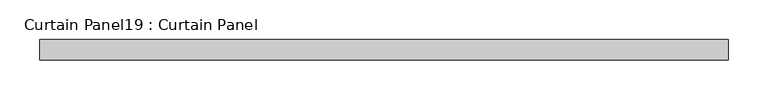
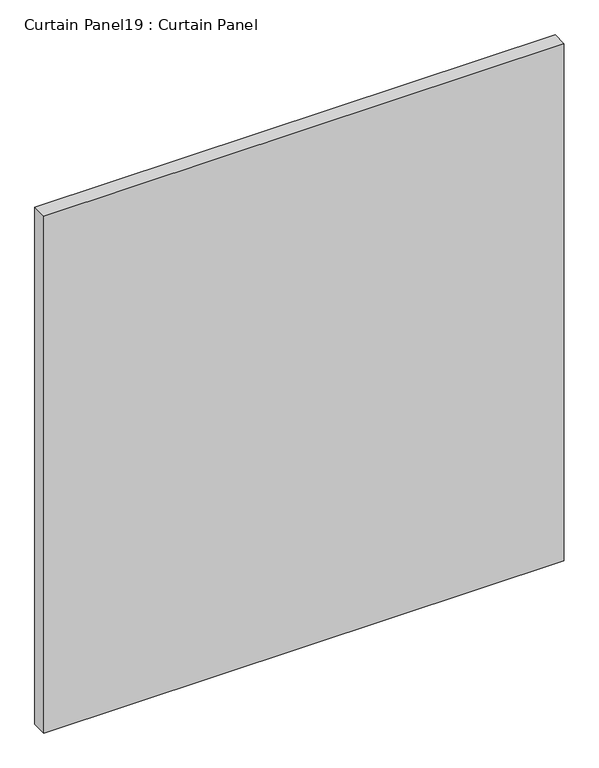
"""IFC4 building model written with IfcOpenShell, lengths in millimetres: plate geometry, Curtain Panel19 : Curtain Panel."""

import ifcopenshell
import ifcopenshell.guid

model = None  # the IFC model being written
_history = None  # IfcOwnerHistory: only IFC2X3 demands one
_inside = {}  # id of a spatial element -> (the spatial element, [elements in it])
_under = {}  # id of a project, library or spatial element -> (it, [spatial elements below it])
_declared = {}  # id of a project -> (the project, [libraries it declares])
_typed = {}  # id of a type object -> (the type object, [elements of that type])
_made_of = {}  # id of a material, layer set ... -> (it, [elements and type objects made of it])


def new_model(schema):
    """Start an empty IFC model of exactly this schema.

    Asked for "IFC4X3", IfcOpenShell would pick the latest addendum, in which some entities
    have other attributes; the version numbers below select the first issue.
    IFC2X3 requires an IfcOwnerHistory on every rooted entity: one is made here for all.
    """
    global model, _history
    if schema == "IFC4X3":
        model = ifcopenshell.file(schema_version=(4, 3, 0, 0))
    else:
        model = ifcopenshell.file(schema=schema)
    _inside.clear()
    _under.clear()
    _declared.clear()
    _typed.clear()
    _made_of.clear()
    _history = None
    if model.schema == "IFC2X3":
        org = make("IfcOrganization", Name="unknown")
        user = make(
            "IfcPersonAndOrganization",
            ThePerson=make("IfcPerson", FamilyName="unknown"),
            TheOrganization=org,
        )
        app = make(
            "IfcApplication",
            ApplicationDeveloper=org,
            Version="unknown",
            ApplicationFullName="unknown",
            ApplicationIdentifier="unknown",
        )
        _history = make(
            "IfcOwnerHistory",
            OwningUser=user,
            OwningApplication=app,
            ChangeAction="ADDED",
            CreationDate=0,
        )
    return model


def make(cls, **values):
    """One entity of the class cls with the attributes given. An attribute that is None is left unset."""
    return model.create_entity(
        cls, **{name: value for name, value in values.items() if value is not None}
    )


def rooted(cls, **values):
    """An entity with a GlobalId (a new one), such as an element, a storey or a relation."""
    return make(cls, GlobalId=ifcopenshell.guid.new(), OwnerHistory=_history, **values)


def si_unit(unit_type, name, prefix=None):
    """IfcSIUnit, for example si_unit("LENGTHUNIT", "METRE", prefix="MILLI")."""
    return make("IfcSIUnit", UnitType=unit_type, Prefix=prefix, Name=name)


def assignment(units):
    """IfcUnitAssignment: the units of a project."""
    return None if units is None else make("IfcUnitAssignment", Units=units)


def point(xyz):
    """IfcCartesianPoint."""
    return None if xyz is None else make("IfcCartesianPoint", Coordinates=xyz)


def direction(xyz):
    """IfcDirection."""
    return None if xyz is None else make("IfcDirection", DirectionRatios=xyz)


def frame(location, z_axis=None, x_axis=None):
    """IfcAxis2Placement3D, a coordinate frame: its origin and axes. An axis left out is left unset."""
    return make(
        "IfcAxis2Placement3D",
        Location=point(location),
        Axis=direction(z_axis),
        RefDirection=direction(x_axis),
    )


def origin():
    """The frame at (0, 0, 0) with its axes left unset."""
    return frame((0.0, 0.0, 0.0))


def place(relative_to, where):
    """IfcLocalPlacement: puts the frame where relative to a parent placement (None: the world)."""
    return make(
        "IfcLocalPlacement", PlacementRelTo=relative_to, RelativePlacement=where
    )


def context(
    kind, dimensions, precision=None, world=None, true_north=None, identifier=None
):
    """IfcGeometricRepresentationContext, for example the 3D "Model" context."""
    return make(
        "IfcGeometricRepresentationContext",
        ContextIdentifier=identifier,
        ContextType=kind,
        CoordinateSpaceDimension=dimensions,
        Precision=precision,
        WorldCoordinateSystem=world,
        TrueNorth=true_north,
    )


def project(units=None, contexts=None):
    """IfcProject with its units and contexts."""
    return rooted(
        "IfcProject",
        Name="project",
        RepresentationContexts=contexts,
        UnitsInContext=assignment(units),
    )


def spatial(cls, under=None, at=None, **own):
    """A site, building, storey or space (cls), placed at a placement, below another one or the project."""
    s = rooted(cls, ObjectPlacement=at, **own)
    if under is not None:
        _under.setdefault(under.id(), (under, []))[1].append(s)
    return s


def polyline(points):
    """IfcPolyline through the points."""
    return make("IfcPolyline", Points=[point(p) for p in points])


def outline(outer, holes=None, kind="AREA"):
    """IfcArbitraryClosedProfileDef: a profile drawn as a closed curve; with holes, ...WithVoids."""
    if holes is None:
        return make("IfcArbitraryClosedProfileDef", ProfileType=kind, OuterCurve=outer)
    return make(
        "IfcArbitraryProfileDefWithVoids",
        ProfileType=kind,
        OuterCurve=outer,
        InnerCurves=holes,
    )


def extrude(swept, where, along, depth):
    """IfcExtrudedAreaSolid: the profile swept, set in the frame where, extruded along a direction by depth."""
    return make(
        "IfcExtrudedAreaSolid",
        SweptArea=swept,
        Position=where,
        ExtrudedDirection=direction(along),
        Depth=depth,
    )


def shape(context_of_items, identifier, shape_type, items):
    """IfcShapeRepresentation: the items that make up one representation, for example the "Body"."""
    return make(
        "IfcShapeRepresentation",
        ContextOfItems=context_of_items,
        RepresentationIdentifier=identifier,
        RepresentationType=shape_type,
        Items=items,
    )


def source(mapping_origin, context_of_items, identifier, shape_type, items):
    """IfcRepresentationMap: a shape defined once, which mapped items show again and again."""
    return make(
        "IfcRepresentationMap",
        MappingOrigin=mapping_origin,
        MappedRepresentation=shape(context_of_items, identifier, shape_type, items),
    )


def transform(
    local_origin,
    x_axis=None,
    y_axis=None,
    z_axis=None,
    scale=None,
    scale2=None,
    scale3=None,
    uniform=True,
):
    """IfcCartesianTransformationOperator3D, or its non-uniform kind. x_axis, y_axis, z_axis: its Axis1, 2, 3."""
    if uniform:
        return make(
            "IfcCartesianTransformationOperator3D",
            Axis1=direction(x_axis),
            Axis2=direction(y_axis),
            LocalOrigin=point(local_origin),
            Scale=scale,
            Axis3=direction(z_axis),
        )
    return make(
        "IfcCartesianTransformationOperator3DnonUniform",
        Axis1=direction(x_axis),
        Axis2=direction(y_axis),
        LocalOrigin=point(local_origin),
        Scale=scale,
        Axis3=direction(z_axis),
        Scale2=scale2,
        Scale3=scale3,
    )


def mapped(mapping_source, mapping_target):
    """IfcMappedItem: shows the shape of a source again, moved by a transform."""
    return make(
        "IfcMappedItem", MappingSource=mapping_source, MappingTarget=mapping_target
    )


def made_of(thing, what):
    """Note that an element or type object is made of a material, layer set ...; save() writes the relation."""
    if what is not None:
        _made_of.setdefault(what.id(), (what, []))[1].append(thing)
    return thing


def element(
    cls,
    number,
    at=None,
    inside=None,
    cuts=None,
    type_object=None,
    material=None,
    context=None,
    identifier="Body",
    shape_type=None,
    held_by="IfcProductDefinitionShape",
    body=None,
    shapes=None,
    **own,
):
    """One element of the class cls, such as IfcWall. Its Tag is "e" and its number.

    at: its placement. inside: the storey or other place that contains it. cuts: it is an
    opening in that element (IfcRelVoidsElement). A single representation is given by context,
    identifier, shape_type and body (its items); several are given by shapes. held_by: the class
    of the entity that holds the representations. save() writes the other relations.
    """
    e = rooted(cls, Tag="e%d" % number, ObjectPlacement=at, **own)
    if body is not None:
        shapes = [shape(context, identifier, shape_type, body)]
    if shapes is not None:
        e.Representation = make(held_by, Representations=shapes)
    if inside is not None:
        _inside.setdefault(inside.id(), (inside, []))[1].append(e)
    if cuts is not None:
        rooted(
            "IfcRelVoidsElement", RelatingBuildingElement=cuts, RelatedOpeningElement=e
        )
    if type_object is not None:
        _typed.setdefault(type_object.id(), (type_object, []))[1].append(e)
    return made_of(e, material)


def aggregate(whole, parts):
    """IfcRelAggregates: a whole, such as a stair, and the parts it consists of."""
    return rooted("IfcRelAggregates", RelatingObject=whole, RelatedObjects=parts)


def save(model, path):
    """Write the relations noted so far, then the file.

    IfcRelAggregates (storeys below a building ...), IfcRelContainedInSpatialStructure (elements
    in a storey), IfcRelDefinesByType, IfcRelAssociatesMaterial and IfcRelDeclares: one each for
    every whole, place, type object, material and project.
    """
    for whole, parts in _under.values():
        aggregate(whole, parts)
    for where, things in _inside.values():
        rooted(
            "IfcRelContainedInSpatialStructure",
            RelatedElements=things,
            RelatingStructure=where,
        )
    for kind, things in _typed.values():
        rooted("IfcRelDefinesByType", RelatedObjects=things, RelatingType=kind)
    for what, things in _made_of.values():
        rooted("IfcRelAssociatesMaterial", RelatedObjects=things, RelatingMaterial=what)
    for by, libraries in _declared.values():
        rooted("IfcRelDeclares", RelatingContext=by, RelatedDefinitions=libraries)
    model.write(path)


def curtain_panel19_curtain_panel_4df6ae1f(model_context):
    return source(origin(), model_context, "Body", "SweptSolid", [
        extrude(outline(polyline([(10536.9424689, 2827.780256), (9673.3426893, 2827.780256), (9673.3426893, 2853.180256), (10536.9424689, 2853.180256), (10536.9424689, 2827.780256)])), frame((0.0, 0.0, 279.0691066), z_axis=(0.0, 0.0, 1.0), x_axis=(1.0, 0.0, 0.0)), (0.0, 0.0, 1.0), 906.6611306),
    ])


if __name__ == "__main__":
    model = new_model("IFC4")
    model_context = context("Model", 3, world=origin())
    ifc_project = project(units=[si_unit("LENGTHUNIT", "METRE", prefix="MILLI")], contexts=[model_context])
    site = spatial("IfcSite", under=ifc_project)
    building = spatial("IfcBuilding", under=site)
    placement = place(None, origin())
    curtain_panel19_curtain_panel_shape = curtain_panel19_curtain_panel_4df6ae1f(model_context)
    element("IfcPlate", 1, ObjectType="Curtain Panel19 : Curtain Panel", at=placement, inside=building, context=model_context, shape_type="MappedRepresentation", body=[
        mapped(curtain_panel19_curtain_panel_shape, transform((0.0, 0.0, 0.0), x_axis=(1.0, 0.0, 0.0), y_axis=(0.0, 1.0, 0.0), z_axis=(0.0, 0.0, 1.0))),
    ])
    save(model, "model.ifc")
